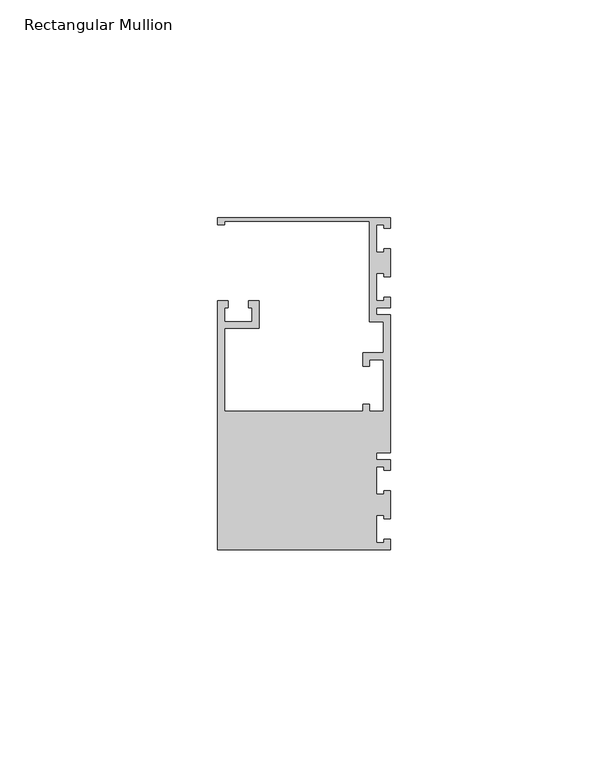
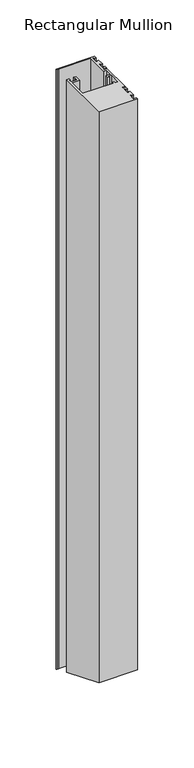
"""IFC4 building model written with IfcOpenShell, lengths in millimetres: member geometry, Rectangular Mullion."""

from ifc_helpers import new_model, si_unit, origin, place, context, project, spatial, faceted_brep, source, transform, mapped, element, save


def rectangular_mullion_933a2c4e(model_context):
    return source(origin(), model_context, "Body", "Brep", [
        faceted_brep([(0.0, 38.1, 0.0), (-39.6875, 38.1, 0.0), (-39.6875, 36.5125, 0.0), (-38.1, 36.5125, 0.0), (-38.1, 37.30625, 0.0), (-4.7625, 37.30625, 0.0), (-4.7625, 14.2875, 0.0), (-1.5875, 14.2875, 0.0), (-1.5875, 7.14375, 0.0), (-6.35, 7.14375, 0.0), (-6.35, 3.96875, 0.0), (-4.7625, 3.96875, 0.0), (-4.7625, 5.55625, 0.0), (-1.5875, 5.55625, 0.0), (-1.5875, -6.35, 0.0), (-4.7625, -6.35, 0.0), (-4.7625, -4.7625, 0.0), (-6.35, -4.7625, 0.0), (-6.35, -6.35, 0.0), (-38.1, -6.35, 0.0), (-38.1, 12.7, 0.0), (-30.1625, 12.7, 0.0), (-30.1625, 19.05, 0.0), (-32.54375, 19.05, 0.0), (-32.54375, 17.4625, 0.0), (-31.75, 17.4625, 0.0), (-31.75, 14.2875, 0.0), (-38.1, 14.2875, 0.0), (-38.1, 17.4625, 0.0), (-37.30625, 17.4625, 0.0), (-37.30625, 19.05, 0.0), (-39.6875, 19.05, 0.0), (-39.6875, -38.1, 0.0), (0.0, -38.1, 0.0), (0.0, -35.71875, 0.0), (-1.4999946, -35.71875, 0.0), (-1.4999946, -36.5125, 0.0), (-3.175, -36.5125, 0.0), (-3.175, -30.1625, 0.0), (-1.4999946, -30.1625, 0.0), (-1.4999946, -30.95625, 0.0), (0.0, -30.95625, 0.0), (0.0, -24.60625, 0.0), (-1.4999946, -24.60625, 0.0), (-1.4999946, -25.4, 0.0), (-3.175, -25.4, 0.0), (-3.175, -19.05, 0.0), (-1.4999946, -19.05, 0.0), (-1.4999946, -19.84375, 0.0), (0.0, -19.84375, 0.0), (0.0, -17.4625, 0.0), (-3.175, -17.4625, 0.0), (-3.175, -15.875, 0.0), (0.0, -15.875, 0.0), (0.0, 15.875, 0.0), (-3.175, 15.875, 0.0), (-3.175, 17.4625, 0.0), (0.0, 17.4625, 0.0), (0.0, 19.84375, 0.0), (-1.4999946, 19.84375, 0.0), (-1.4999946, 19.05, 0.0), (-3.175, 19.05, 0.0), (-3.175, 25.4, 0.0), (-1.4999946, 25.4, 0.0), (-1.4999946, 24.60625, 0.0), (0.0, 24.60625, 0.0), (0.0, 30.95625, 0.0), (-1.4999946, 30.95625, 0.0), (-1.4999946, 30.1625, 0.0), (-3.175, 30.1625, 0.0), (-3.175, 36.5125, 0.0), (-1.4999946, 36.5125, 0.0), (-1.4999946, 35.71875, 0.0), (0.0, 35.71875, 0.0), (0.0, 38.1, -650.7815367), (-39.6875, 38.1, -650.7815367), (-39.6875, 36.5125, -650.1239727), (-38.1, 36.5125, -650.1239727), (-38.1, 37.30625, -650.4527547), (-4.7625, 37.30625, -650.4527547), (-4.7625, 14.2875, -640.9180763), (-1.5875, 14.2875, -640.9180763), (-1.5875, 7.14375, -637.9590381), (-6.35, 7.14375, -637.9590381), (-6.35, 3.96875, -636.6439101), (-4.7625, 3.96875, -636.6439101), (-4.7625, 5.55625, -637.3014741), (-1.5875, 5.55625, -637.3014741), (-1.5875, -6.35, -632.3697439), (-4.7625, -6.35, -632.3697439), (-4.7625, -4.7625, -633.0273079), (-6.35, -4.7625, -633.0273079), (-6.35, -6.35, -632.3697439), (-38.1, -6.35, -632.3697439), (-38.1, 12.7, -640.2605122), (-30.1625, 12.7, -640.2605122), (-30.1625, 19.05, -642.8907684), (-32.54375, 19.05, -642.8907684), (-32.54375, 17.4625, -642.2332043), (-31.75, 17.4625, -642.2332043), (-31.75, 14.2875, -640.9180763), (-38.1, 14.2875, -640.9180763), (-38.1, 17.4625, -642.2332043), (-37.30625, 17.4625, -642.2332043), (-37.30625, 19.05, -642.8907684), (-39.6875, 19.05, -642.8907684), (-39.6875, -38.1, -619.2184633), (0.0, -38.1, -619.2184633), (0.0, -35.71875, -620.2048093), (-1.4999946, -35.71875, -620.2048093), (-1.4999946, -36.5125, -619.8760273), (-3.175, -36.5125, -619.8760273), (-3.175, -30.1625, -622.5062834), (-1.4999946, -30.1625, -622.5062834), (-1.4999946, -30.95625, -622.1775014), (0.0, -30.95625, -622.1775014), (0.0, -24.60625, -624.8077575), (-1.4999946, -24.60625, -624.8077575), (-1.4999946, -25.4, -624.4789755), (-3.175, -25.4, -624.4789755), (-3.175, -19.05, -627.1092316), (-1.4999946, -19.05, -627.1092316), (-1.4999946, -19.84375, -626.7804496), (0.0, -19.84375, -626.7804496), (0.0, -17.4625, -627.7667957), (-3.175, -17.4625, -627.7667957), (-3.175, -15.875, -628.4243597), (0.0, -15.875, -628.4243597), (0.0, 15.875, -641.5756403), (-3.175, 15.875, -641.5756403), (-3.175, 17.4625, -642.2332043), (0.0, 17.4625, -642.2332043), (0.0, 19.84375, -643.2195504), (-1.4999946, 19.84375, -643.2195504), (-1.4999946, 19.05, -642.8907684), (-3.175, 19.05, -642.8907684), (-3.175, 25.4, -645.5210245), (-1.4999946, 25.4, -645.5210245), (-1.4999946, 24.60625, -645.1922425), (0.0, 24.60625, -645.1922425), (0.0, 30.95625, -647.8224986), (-1.4999946, 30.95625, -647.8224986), (-1.4999946, 30.1625, -647.4937166), (-3.175, 30.1625, -647.4937166), (-3.175, 36.5125, -650.1239727), (-1.4999946, 36.5125, -650.1239727), (-1.4999946, 35.71875, -649.7951907), (0.0, 35.71875, -649.7951907)], [[[0, 1, 2, 3, 4, 5, 6, 7, 8, 9, 10, 11, 12, 13, 14, 15, 16, 17, 18, 19, 20, 21, 22, 23, 24, 25, 26, 27, 28, 29, 30, 31, 32, 33, 34, 35, 36, 37, 38, 39, 40, 41, 42, 43, 44, 45, 46, 47, 48, 49, 50, 51, 52, 53, 54, 55, 56, 57, 58, 59, 60, 61, 62, 63, 64, 65, 66, 67, 68, 69, 70, 71, 72, 73]], [[1, 0, 74, 75]], [[2, 1, 75, 76]], [[3, 2, 76, 77]], [[4, 3, 77, 78]], [[5, 4, 78, 79]], [[6, 5, 79, 80]], [[7, 6, 80, 81]], [[8, 7, 81, 82]], [[9, 8, 82, 83]], [[10, 9, 83, 84]], [[11, 10, 84, 85]], [[12, 11, 85, 86]], [[13, 12, 86, 87]], [[14, 13, 87, 88]], [[15, 14, 88, 89]], [[16, 15, 89, 90]], [[17, 16, 90, 91]], [[18, 17, 91, 92]], [[19, 18, 92, 93]], [[20, 19, 93, 94]], [[21, 20, 94, 95]], [[22, 21, 95, 96]], [[23, 22, 96, 97]], [[24, 23, 97, 98]], [[25, 24, 98, 99]], [[26, 25, 99, 100]], [[27, 26, 100, 101]], [[28, 27, 101, 102]], [[29, 28, 102, 103]], [[30, 29, 103, 104]], [[31, 30, 104, 105]], [[32, 31, 105, 106]], [[33, 32, 106, 107]], [[34, 33, 107, 108]], [[35, 34, 108, 109]], [[36, 35, 109, 110]], [[37, 36, 110, 111]], [[38, 37, 111, 112]], [[39, 38, 112, 113]], [[40, 39, 113, 114]], [[41, 40, 114, 115]], [[42, 41, 115, 116]], [[43, 42, 116, 117]], [[44, 43, 117, 118]], [[45, 44, 118, 119]], [[46, 45, 119, 120]], [[47, 46, 120, 121]], [[48, 47, 121, 122]], [[49, 48, 122, 123]], [[50, 49, 123, 124]], [[51, 50, 124, 125]], [[52, 51, 125, 126]], [[53, 52, 126, 127]], [[54, 53, 127, 128]], [[55, 54, 128, 129]], [[56, 55, 129, 130]], [[57, 56, 130, 131]], [[58, 57, 131, 132]], [[59, 58, 132, 133]], [[60, 59, 133, 134]], [[61, 60, 134, 135]], [[62, 61, 135, 136]], [[63, 62, 136, 137]], [[64, 63, 137, 138]], [[65, 64, 138, 139]], [[66, 65, 139, 140]], [[67, 66, 140, 141]], [[68, 67, 141, 142]], [[69, 68, 142, 143]], [[70, 69, 143, 144]], [[71, 70, 144, 145]], [[72, 71, 145, 146]], [[73, 72, 146, 147]], [[0, 73, 147, 74]], [[74, 147, 146, 145, 144, 143, 142, 141, 140, 139, 138, 137, 136, 135, 134, 133, 132, 131, 130, 129, 128, 127, 126, 125, 124, 123, 122, 121, 120, 119, 118, 117, 116, 115, 114, 113, 112, 111, 110, 109, 108, 107, 106, 105, 104, 103, 102, 101, 100, 99, 98, 97, 96, 95, 94, 93, 92, 91, 90, 89, 88, 87, 86, 85, 84, 83, 82, 81, 80, 79, 78, 77, 76, 75]]]),
    ])


if __name__ == "__main__":
    model = new_model("IFC4")
    model_context = context("Model", 3, world=origin())
    ifc_project = project(units=[si_unit("LENGTHUNIT", "METRE", prefix="MILLI")], contexts=[model_context])
    site = spatial("IfcSite", under=ifc_project)
    building = spatial("IfcBuilding", under=site)
    placement = place(None, origin())
    rectangular_mullion_shape = rectangular_mullion_933a2c4e(model_context)
    element("IfcMember", 1, ObjectType="Rectangular Mullion", at=placement, inside=building, context=model_context, shape_type="MappedRepresentation", body=[
        mapped(rectangular_mullion_shape, transform((0.0, 0.0, 0.0), x_axis=(1.0, 0.0, 0.0), y_axis=(0.0, 1.0, 0.0), z_axis=(0.0, 0.0, 1.0))),
    ])
    save(model, "model.ifc")
